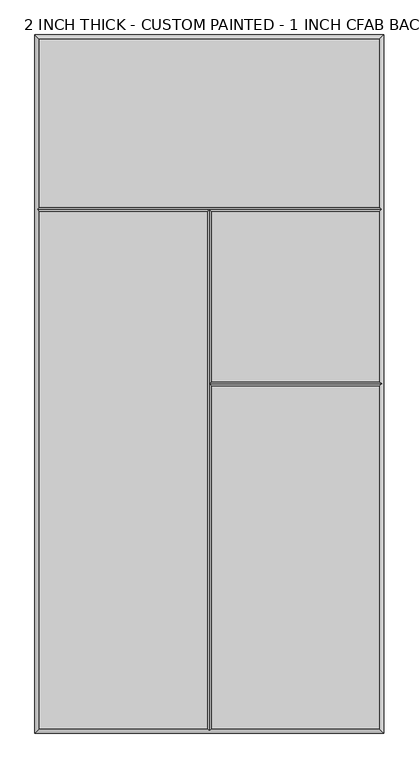
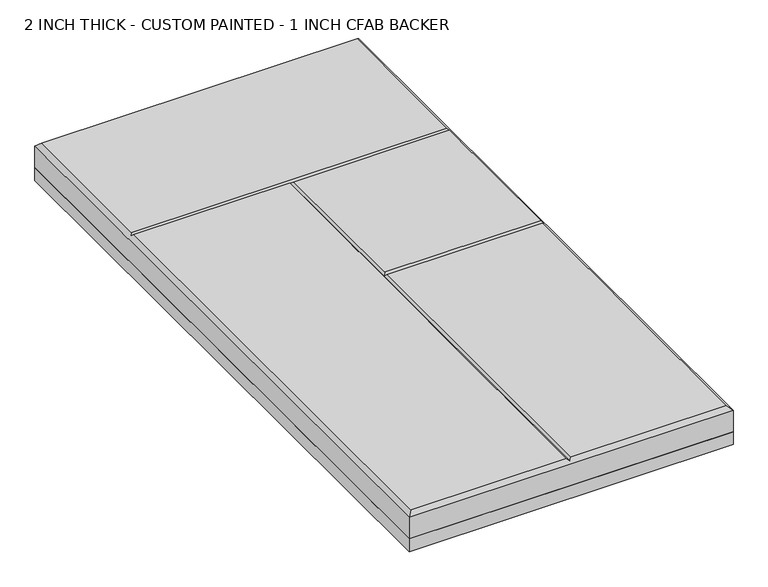
"""IFC4 building model written with IfcOpenShell, lengths in millimetres: proxy geometry, 2 INCH THICK - CUSTOM PAINTED - 1 INCH CFAB BACKER."""

from ifc_helpers import new_model, si_unit, frame, origin, place, context, project, spatial, polyline, outline, extrude, faceted_brep, source, transform, mapped, element, save


def proxy_2_inch_thick_custom_painted_1_inch_cfab_backer_4dbd683e(model_context):
    return source(origin(), model_context, "Body", "SolidModel", [
        extrude(outline(polyline([(-304.8, 609.6), (304.8, 609.6), (304.8, -609.6), (-304.8, -609.6), (-304.8, 609.6)])), frame((0.0, 0.0, -25.4), z_axis=(0.0, 0.0, 1.0), x_axis=(1.0, 0.0, 0.0)), (0.0, 0.0, 1.0), 25.4),
        faceted_brep([(296.799, 601.599, 50.8), (-296.799, 601.599, 50.8), (-296.799, 308.8005, 50.8), (296.799, 308.8005, 50.8), (-296.799, 300.7995, 50.8), (-296.799, -601.599, 50.8), (-4.0005, -601.599, 50.8), (-4.0005, 300.7995, 50.8), (4.0005, -601.599, 50.8), (296.799, -601.599, 50.8), (296.799, -4.0005, 50.8), (4.0005, -4.0005, 50.8), (296.799, 300.7995, 50.8), (4.0005, 300.7995, 50.8), (4.0005, 4.0005, 50.8), (296.799, 4.0005, 50.8), (-304.8, 609.6, 0.0), (304.8, 609.6, 0.0), (304.8, -609.6, 0.0), (-304.8, -609.6, 0.0), (-304.8, -609.6, 42.799), (-304.8, 609.6, 42.799), (304.8, -609.6, 42.799), (304.8, 609.6, 42.799), (-300.7995, 304.8, 46.7995), (0.0, -605.5995, 46.7995), (300.7995, 304.8, 46.7995), (300.7995, 0.0, 46.7995), (0.0, 304.8, 46.7995), (0.0, 0.0, 46.7995)], [[[0, 1, 2, 3]], [[4, 5, 6, 7]], [[8, 9, 10, 11]], [[12, 13, 14, 15]], [[16, 17, 18, 19]], [[16, 19, 20, 21]], [[19, 18, 22, 20]], [[18, 17, 23, 22]], [[17, 16, 21, 23]], [[21, 1, 0, 23]], [[1, 21, 20, 5, 4, 24, 2]], [[5, 20, 22, 9, 8, 25, 6]], [[23, 0, 3, 26, 12, 15, 27, 10, 9, 22]], [[24, 4, 7, 28]], [[12, 26, 28, 13]], [[3, 2, 24, 28, 26]], [[25, 8, 11, 29]], [[13, 28, 29, 14]], [[7, 6, 25, 29, 28]], [[27, 29, 11, 10]], [[29, 27, 15, 14]]]),
    ])


if __name__ == "__main__":
    model = new_model("IFC4")
    model_context = context("Model", 3, world=origin())
    ifc_project = project(units=[si_unit("LENGTHUNIT", "METRE", prefix="MILLI")], contexts=[model_context])
    site = spatial("IfcSite", under=ifc_project)
    building = spatial("IfcBuilding", under=site)
    placement = place(None, origin())
    proxy_2_inch_thick_custom_painted_1_inch_cfab_backer_shape = proxy_2_inch_thick_custom_painted_1_inch_cfab_backer_4dbd683e(model_context)
    element("IfcBuildingElementProxy", 1, Name="2 INCH THICK - CUSTOM PAINTED - 1 INCH CFAB BACKER", ObjectType="2 INCH THICK - CUSTOM PAINTED - 1 INCH CFAB BACKER", at=placement, inside=building, context=model_context, shape_type="MappedRepresentation", body=[
        mapped(proxy_2_inch_thick_custom_painted_1_inch_cfab_backer_shape, transform((0.0, 0.0, 0.0), x_axis=(1.0, 0.0, 0.0), y_axis=(0.0, 1.0, 0.0), z_axis=(0.0, 0.0, 1.0))),
    ])
    save(model, "model.ifc")
